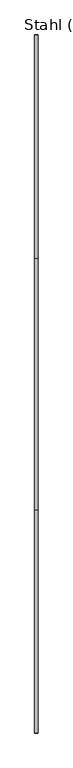
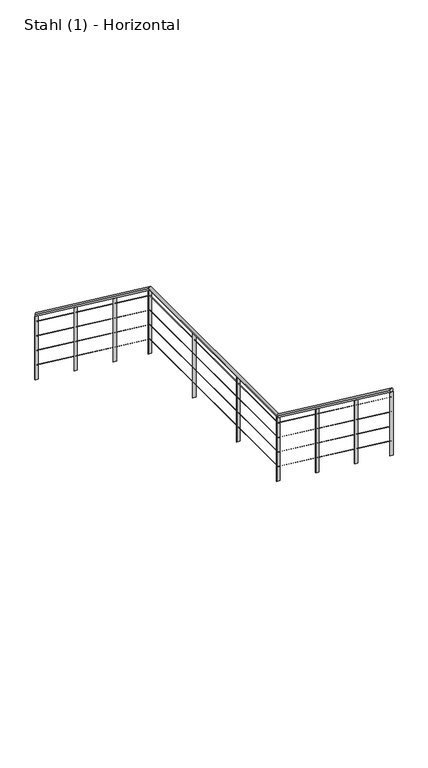
"""IFC4 building model written with IfcOpenShell, lengths in millimetres: railing geometry, Stahl (1) - Horizontal."""

from ifc_helpers import new_model, si_unit, frame, origin, place, context, project, spatial, polyline, ellipse_curve, outline, extrude, source, transform, mapped, element, save
from ifc_brep_helpers import plane_surface, cylinder_surface, advanced_brep


def stahl_1_horizontal_c0315d68(model_context):
    return source(origin(), model_context, "Body", "SolidModel", [
        advanced_brep(
        [(34742.3888375, 36247.5164276, 4785.0587002), (34782.3888375, 36247.5164276, 4785.0587002), (34742.3888375, 33690.8846832, 6690.0), (34782.3888375, 33690.8846832, 6690.0), (34742.3888375, 30805.6465879, 6690.0), (34782.3888375, 30805.6465879, 6690.0), (34742.3888375, 28262.2783324, 8585.0587002), (34782.3888375, 28262.2783324, 8585.0587002)],
        [
            (0, 1, ellipse_curve(frame((34762.3888375, 36247.5164276, 4785.0587002), z_axis=(0.0, 1.0, 0.0), x_axis=(0.0, 0.0, -1.0)), 24.9412998, 20.0)),
            (1, 0, ellipse_curve(frame((34762.3888375, 36247.5164276, 4785.0587002), z_axis=(0.0, 1.0, 0.0), x_axis=(0.0, 0.0, -1.0)), 24.9412998, 20.0)),
            (0, 2),
            (2, 3, ellipse_curve(frame((34762.3888375, 33690.8846832, 6690.0), z_axis=(0.0, 0.9491793370099771, -0.31473574025410656), x_axis=(0.0, -0.3147357402541069, -0.9491793370099768)), 21.0708337, 20.0)),
            (3, 1),
            (3, 2, ellipse_curve(frame((34762.3888375, 33690.8846832, 6690.0), z_axis=(0.0, 0.9491793370099771, -0.31473574025410656), x_axis=(0.0, -0.3147357402541069, -0.9491793370099768)), 21.0708337, 20.0)),
            (2, 4),
            (4, 5, ellipse_curve(frame((34762.3888375, 30805.6465879, 6690.0), z_axis=(0.0, 0.9491793370099771, -0.31473574025410656), x_axis=(0.0, 0.3147357402541059, 0.9491793370099773)), 21.0708337, 20.0)),
            (5, 3),
            (5, 4, ellipse_curve(frame((34762.3888375, 30805.6465879, 6690.0), z_axis=(0.0, 0.9491793370099771, -0.31473574025410656), x_axis=(0.0, 0.3147357402541059, 0.9491793370099773)), 21.0708337, 20.0)),
            (6, 7, ellipse_curve(frame((34762.3888375, 28262.2783324, 8585.0587002), z_axis=(0.0, -1.0, 0.0), x_axis=(0.0, 0.0, -1.0)), 24.9412998, 20.0)),
            (7, 6, ellipse_curve(frame((34762.3888375, 28262.2783324, 8585.0587002), z_axis=(0.0, -1.0, 0.0), x_axis=(0.0, 0.0, -1.0)), 24.9412998, 20.0)),
            (4, 6),
            (7, 5),
        ],
        [
            plane_surface(frame((34762.3888375, 36247.5164276, 4810.0), z_axis=(0.0, 1.0, 0.0), x_axis=(0.0, 0.0, -1.0))),
            cylinder_surface(frame((34762.3888375, 36235.5668012, 4793.9623434), z_axis=(0.0, 0.8018828276133991, -0.5974813225354744), x_axis=(1.0, 0.0, 0.0)), 20.0),
            cylinder_surface(frame((34762.3888375, 33697.5164276, 6690.0), z_axis=(0.0, 1.0, 0.0), x_axis=(1.0, 0.0, 0.0)), 20.0),
            plane_surface(frame((34762.3888375, 28262.2783324, 8610.0), z_axis=(0.0, -1.0, 0.0), x_axis=(0.0, 0.0, -1.0))),
            cylinder_surface(frame((34762.3888375, 30800.3287059, 6693.9623434), z_axis=(0.0, 0.8018828276133991, -0.5974813225354744), x_axis=(1.0, 0.0, 0.0)), 20.0),
        ],
        [
            (0, [[1, 2]]),
            (1, [[-1, 3, 4, 5]]),
            (1, [[-2, -5, 6, -3]]),
            (2, [[-4, 7, 8, 9]]),
            (2, [[-6, -9, 10, -7]]),
            (3, [[11, 12]]),
            (4, [[-8, 13, -12, 14]]),
            (4, [[-10, -14, -11, -13]]),
        ],
    ),
        advanced_brep(
        [(34760.8888375, 36247.5164276, 4688.1294025), (34763.8888375, 36247.5164276, 4688.1294025), (34760.8888375, 33697.0190468, 6588.5), (34763.8888375, 33697.0190468, 6588.5), (34760.8888375, 30811.7809516, 6588.5), (34763.8888375, 30811.7809516, 6588.5), (34760.8888375, 28262.2783324, 8488.1294025), (34763.8888375, 28262.2783324, 8488.1294025)],
        [
            (0, 1, ellipse_curve(frame((34762.3888375, 36247.5164276, 4688.1294025), z_axis=(0.0, 1.0, 0.0), x_axis=(0.0, 0.0, -1.0)), 1.8705975, 1.5)),
            (1, 0, ellipse_curve(frame((34762.3888375, 36247.5164276, 4688.1294025), z_axis=(0.0, 1.0, 0.0), x_axis=(0.0, 0.0, -1.0)), 1.8705975, 1.5)),
            (0, 2),
            (2, 3, ellipse_curve(frame((34762.3888375, 33697.0190468, 6588.5), z_axis=(0.0, 0.9491793370099771, -0.31473574025410656), x_axis=(0.0, -0.3147357402541069, -0.9491793370099768)), 1.5803125, 1.5)),
            (3, 1),
            (3, 2, ellipse_curve(frame((34762.3888375, 33697.0190468, 6588.5), z_axis=(0.0, 0.9491793370099771, -0.31473574025410656), x_axis=(0.0, -0.3147357402541069, -0.9491793370099768)), 1.5803125, 1.5)),
            (2, 4),
            (4, 5, ellipse_curve(frame((34762.3888375, 30811.7809516, 6588.5), z_axis=(0.0, 0.9491793370099771, -0.31473574025410656), x_axis=(0.0, 0.3147357402541059, 0.9491793370099773)), 1.5803125, 1.5)),
            (5, 3),
            (5, 4, ellipse_curve(frame((34762.3888375, 30811.7809516, 6588.5), z_axis=(0.0, 0.9491793370099771, -0.31473574025410656), x_axis=(0.0, 0.3147357402541059, 0.9491793370099773)), 1.5803125, 1.5)),
            (6, 7, ellipse_curve(frame((34762.3888375, 28262.2783324, 8488.1294025), z_axis=(0.0, -1.0, 0.0), x_axis=(0.0, 0.0, -1.0)), 1.8705975, 1.5)),
            (7, 6, ellipse_curve(frame((34762.3888375, 28262.2783324, 8488.1294025), z_axis=(0.0, -1.0, 0.0), x_axis=(0.0, 0.0, -1.0)), 1.8705975, 1.5)),
            (4, 6),
            (7, 5),
        ],
        [
            plane_surface(frame((34762.3888375, 36247.5164276, 4690.0), z_axis=(0.0, 1.0, 0.0), x_axis=(0.0, 0.0, -1.0))),
            cylinder_surface(frame((34762.3888375, 36246.6202057, 4688.7971758), z_axis=(0.0, 0.8018828276133991, -0.5974813225354744), x_axis=(1.0, 0.0, 0.0)), 1.5),
            cylinder_surface(frame((34762.3888375, 33697.5164276, 6588.5), z_axis=(0.0, 1.0, 0.0), x_axis=(1.0, 0.0, 0.0)), 1.5),
            plane_surface(frame((34762.3888375, 28262.2783324, 8490.0), z_axis=(0.0, -1.0, 0.0), x_axis=(0.0, 0.0, -1.0))),
            cylinder_surface(frame((34762.3888375, 30811.3821104, 6588.7971758), z_axis=(0.0, 0.8018828276133991, -0.5974813225354744), x_axis=(1.0, 0.0, 0.0)), 1.5),
        ],
        [
            (0, [[1, 2]]),
            (1, [[-1, 3, 4, 5]]),
            (1, [[-2, -5, 6, -3]]),
            (2, [[-4, 7, 8, 9]]),
            (2, [[-6, -9, 10, -7]]),
            (3, [[11, 12]]),
            (4, [[-8, 13, -12, 14]]),
            (4, [[-10, -14, -11, -13]]),
        ],
    ),
        advanced_brep(
        [(34760.8888375, 36247.5164276, 4488.1294025), (34763.8888375, 36247.5164276, 4488.1294025), (34760.8888375, 33697.0190468, 6388.5), (34763.8888375, 33697.0190468, 6388.5), (34760.8888375, 30811.7809516, 6388.5), (34763.8888375, 30811.7809516, 6388.5), (34760.8888375, 28262.2783324, 8288.1294025), (34763.8888375, 28262.2783324, 8288.1294025)],
        [
            (0, 1, ellipse_curve(frame((34762.3888375, 36247.5164276, 4488.1294025), z_axis=(0.0, 1.0, 0.0), x_axis=(0.0, 0.0, -1.0)), 1.8705975, 1.5)),
            (1, 0, ellipse_curve(frame((34762.3888375, 36247.5164276, 4488.1294025), z_axis=(0.0, 1.0, 0.0), x_axis=(0.0, 0.0, -1.0)), 1.8705975, 1.5)),
            (0, 2),
            (2, 3, ellipse_curve(frame((34762.3888375, 33697.0190468, 6388.5), z_axis=(0.0, 0.9491793370099771, -0.31473574025410656), x_axis=(0.0, -0.3147357402541069, -0.9491793370099768)), 1.5803125, 1.5)),
            (3, 1),
            (3, 2, ellipse_curve(frame((34762.3888375, 33697.0190468, 6388.5), z_axis=(0.0, 0.9491793370099771, -0.31473574025410656), x_axis=(0.0, -0.3147357402541069, -0.9491793370099768)), 1.5803125, 1.5)),
            (2, 4),
            (4, 5, ellipse_curve(frame((34762.3888375, 30811.7809516, 6388.5), z_axis=(0.0, 0.9491793370099771, -0.31473574025410656), x_axis=(0.0, 0.3147357402541059, 0.9491793370099773)), 1.5803125, 1.5)),
            (5, 3),
            (5, 4, ellipse_curve(frame((34762.3888375, 30811.7809516, 6388.5), z_axis=(0.0, 0.9491793370099771, -0.31473574025410656), x_axis=(0.0, 0.3147357402541059, 0.9491793370099773)), 1.5803125, 1.5)),
            (6, 7, ellipse_curve(frame((34762.3888375, 28262.2783324, 8288.1294025), z_axis=(0.0, -1.0, 0.0), x_axis=(0.0, 0.0, -1.0)), 1.8705975, 1.5)),
            (7, 6, ellipse_curve(frame((34762.3888375, 28262.2783324, 8288.1294025), z_axis=(0.0, -1.0, 0.0), x_axis=(0.0, 0.0, -1.0)), 1.8705975, 1.5)),
            (4, 6),
            (7, 5),
        ],
        [
            plane_surface(frame((34762.3888375, 36247.5164276, 4490.0), z_axis=(0.0, 1.0, 0.0), x_axis=(0.0, 0.0, -1.0))),
            cylinder_surface(frame((34762.3888375, 36246.6202057, 4488.7971758), z_axis=(0.0, 0.8018828276133991, -0.5974813225354744), x_axis=(1.0, 0.0, 0.0)), 1.5),
            cylinder_surface(frame((34762.3888375, 33697.5164276, 6388.5), z_axis=(0.0, 1.0, 0.0), x_axis=(1.0, 0.0, 0.0)), 1.5),
            plane_surface(frame((34762.3888375, 28262.2783324, 8290.0), z_axis=(0.0, -1.0, 0.0), x_axis=(0.0, 0.0, -1.0))),
            cylinder_surface(frame((34762.3888375, 30811.3821104, 6388.7971758), z_axis=(0.0, 0.8018828276133991, -0.5974813225354744), x_axis=(1.0, 0.0, 0.0)), 1.5),
        ],
        [
            (0, [[1, 2]]),
            (1, [[-1, 3, 4, 5]]),
            (1, [[-2, -5, 6, -3]]),
            (2, [[-4, 7, 8, 9]]),
            (2, [[-6, -9, 10, -7]]),
            (3, [[11, 12]]),
            (4, [[-8, 13, -12, 14]]),
            (4, [[-10, -14, -11, -13]]),
        ],
    ),
        advanced_brep(
        [(34760.8888375, 36247.5164276, 4288.1294025), (34763.8888375, 36247.5164276, 4288.1294025), (34760.8888375, 33697.0190468, 6188.5), (34763.8888375, 33697.0190468, 6188.5), (34760.8888375, 30811.7809516, 6188.5), (34763.8888375, 30811.7809516, 6188.5), (34760.8888375, 28262.2783324, 8088.1294025), (34763.8888375, 28262.2783324, 8088.1294025)],
        [
            (0, 1, ellipse_curve(frame((34762.3888375, 36247.5164276, 4288.1294025), z_axis=(0.0, 1.0, 0.0), x_axis=(0.0, 0.0, -1.0)), 1.8705975, 1.5)),
            (1, 0, ellipse_curve(frame((34762.3888375, 36247.5164276, 4288.1294025), z_axis=(0.0, 1.0, 0.0), x_axis=(0.0, 0.0, -1.0)), 1.8705975, 1.5)),
            (0, 2),
            (2, 3, ellipse_curve(frame((34762.3888375, 33697.0190468, 6188.5), z_axis=(0.0, 0.9491793370099771, -0.31473574025410656), x_axis=(0.0, -0.3147357402541069, -0.9491793370099768)), 1.5803125, 1.5)),
            (3, 1),
            (3, 2, ellipse_curve(frame((34762.3888375, 33697.0190468, 6188.5), z_axis=(0.0, 0.9491793370099771, -0.31473574025410656), x_axis=(0.0, -0.3147357402541069, -0.9491793370099768)), 1.5803125, 1.5)),
            (2, 4),
            (4, 5, ellipse_curve(frame((34762.3888375, 30811.7809516, 6188.5), z_axis=(0.0, 0.9491793370099771, -0.31473574025410656), x_axis=(0.0, 0.3147357402541059, 0.9491793370099773)), 1.5803125, 1.5)),
            (5, 3),
            (5, 4, ellipse_curve(frame((34762.3888375, 30811.7809516, 6188.5), z_axis=(0.0, 0.9491793370099771, -0.31473574025410656), x_axis=(0.0, 0.3147357402541059, 0.9491793370099773)), 1.5803125, 1.5)),
            (6, 7, ellipse_curve(frame((34762.3888375, 28262.2783324, 8088.1294025), z_axis=(0.0, -1.0, 0.0), x_axis=(0.0, 0.0, -1.0)), 1.8705975, 1.5)),
            (7, 6, ellipse_curve(frame((34762.3888375, 28262.2783324, 8088.1294025), z_axis=(0.0, -1.0, 0.0), x_axis=(0.0, 0.0, -1.0)), 1.8705975, 1.5)),
            (4, 6),
            (7, 5),
        ],
        [
            plane_surface(frame((34762.3888375, 36247.5164276, 4290.0), z_axis=(0.0, 1.0, 0.0), x_axis=(0.0, 0.0, -1.0))),
            cylinder_surface(frame((34762.3888375, 36246.6202057, 4288.7971758), z_axis=(0.0, 0.8018828276133991, -0.5974813225354744), x_axis=(1.0, 0.0, 0.0)), 1.5),
            cylinder_surface(frame((34762.3888375, 33697.5164276, 6188.5), z_axis=(0.0, 1.0, 0.0), x_axis=(1.0, 0.0, 0.0)), 1.5),
            plane_surface(frame((34762.3888375, 28262.2783324, 8090.0), z_axis=(0.0, -1.0, 0.0), x_axis=(0.0, 0.0, -1.0))),
            cylinder_surface(frame((34762.3888375, 30811.3821104, 6188.7971758), z_axis=(0.0, 0.8018828276133991, -0.5974813225354744), x_axis=(1.0, 0.0, 0.0)), 1.5),
        ],
        [
            (0, [[1, 2]]),
            (1, [[-1, 3, 4, 5]]),
            (1, [[-2, -5, 6, -3]]),
            (2, [[-4, 7, 8, 9]]),
            (2, [[-6, -9, 10, -7]]),
            (3, [[11, 12]]),
            (4, [[-8, 13, -12, 14]]),
            (4, [[-10, -14, -11, -13]]),
        ],
    ),
        advanced_brep(
        [(34760.8888375, 36247.5164276, 4088.1294025), (34763.8888375, 36247.5164276, 4088.1294025), (34760.8888375, 33697.0190468, 5988.5), (34763.8888375, 33697.0190468, 5988.5), (34760.8888375, 30811.7809516, 5988.5), (34763.8888375, 30811.7809516, 5988.5), (34760.8888375, 28262.2783324, 7888.1294025), (34763.8888375, 28262.2783324, 7888.1294025)],
        [
            (0, 1, ellipse_curve(frame((34762.3888375, 36247.5164276, 4088.1294025), z_axis=(0.0, 1.0, 0.0), x_axis=(0.0, 0.0, -1.0)), 1.8705975, 1.5)),
            (1, 0, ellipse_curve(frame((34762.3888375, 36247.5164276, 4088.1294025), z_axis=(0.0, 1.0, 0.0), x_axis=(0.0, 0.0, -1.0)), 1.8705975, 1.5)),
            (0, 2),
            (2, 3, ellipse_curve(frame((34762.3888375, 33697.0190468, 5988.5), z_axis=(0.0, 0.9491793370099771, -0.31473574025410656), x_axis=(0.0, -0.3147357402541069, -0.9491793370099768)), 1.5803125, 1.5)),
            (3, 1),
            (3, 2, ellipse_curve(frame((34762.3888375, 33697.0190468, 5988.5), z_axis=(0.0, 0.9491793370099771, -0.31473574025410656), x_axis=(0.0, -0.3147357402541069, -0.9491793370099768)), 1.5803125, 1.5)),
            (2, 4),
            (4, 5, ellipse_curve(frame((34762.3888375, 30811.7809516, 5988.5), z_axis=(0.0, 0.9491793370099771, -0.31473574025410656), x_axis=(0.0, 0.3147357402541059, 0.9491793370099773)), 1.5803125, 1.5)),
            (5, 3),
            (5, 4, ellipse_curve(frame((34762.3888375, 30811.7809516, 5988.5), z_axis=(0.0, 0.9491793370099771, -0.31473574025410656), x_axis=(0.0, 0.3147357402541059, 0.9491793370099773)), 1.5803125, 1.5)),
            (6, 7, ellipse_curve(frame((34762.3888375, 28262.2783324, 7888.1294025), z_axis=(0.0, -1.0, 0.0), x_axis=(0.0, 0.0, -1.0)), 1.8705975, 1.5)),
            (7, 6, ellipse_curve(frame((34762.3888375, 28262.2783324, 7888.1294025), z_axis=(0.0, -1.0, 0.0), x_axis=(0.0, 0.0, -1.0)), 1.8705975, 1.5)),
            (4, 6),
            (7, 5),
        ],
        [
            plane_surface(frame((34762.3888375, 36247.5164276, 4090.0), z_axis=(0.0, 1.0, 0.0), x_axis=(0.0, 0.0, -1.0))),
            cylinder_surface(frame((34762.3888375, 36246.6202057, 4088.7971758), z_axis=(0.0, 0.8018828276133991, -0.5974813225354744), x_axis=(1.0, 0.0, 0.0)), 1.5),
            cylinder_surface(frame((34762.3888375, 33697.5164276, 5988.5), z_axis=(0.0, 1.0, 0.0), x_axis=(1.0, 0.0, 0.0)), 1.5),
            plane_surface(frame((34762.3888375, 28262.2783324, 7890.0), z_axis=(0.0, -1.0, 0.0), x_axis=(0.0, 0.0, -1.0))),
            cylinder_surface(frame((34762.3888375, 30811.3821104, 5988.7971758), z_axis=(0.0, 0.8018828276133991, -0.5974813225354744), x_axis=(1.0, 0.0, 0.0)), 1.5),
        ],
        [
            (0, [[1, 2]]),
            (1, [[-1, 3, 4, 5]]),
            (1, [[-2, -5, 6, -3]]),
            (2, [[-4, 7, 8, 9]]),
            (2, [[-6, -9, 10, -7]]),
            (3, [[11, 12]]),
            (4, [[-8, 13, -12, 14]]),
            (4, [[-10, -14, -11, -13]]),
        ],
    ),
        extrude(outline(polyline([(29057.6576427, 7100.3448276), (29049.6576427, 7100.3448276), (29049.6576427, 7973.4426202), (29057.6576427, 7967.4818358), (29057.6576427, 7100.3448276)])), frame((34742.3888375, 0.0, 0.0), z_axis=(1.0, 0.0, 0.0), x_axis=(0.0, 1.0, 0.0)), (0.0, 0.0, 1.0), 40.0),
        extrude(outline(polyline([(29936.9679876, 6445.1724138), (29928.9679876, 6445.1724138), (29928.9679876, 7318.2702064), (29936.9679876, 7312.3094221), (29936.9679876, 6445.1724138)])), frame((34742.3888375, 0.0, 0.0), z_axis=(1.0, 0.0, 0.0), x_axis=(0.0, 1.0, 0.0)), (0.0, 0.0, 1.0), 40.0),
        extrude(outline(polyline([(34782.3888375, 31711.6970516), (34782.3888375, 31703.6970516), (34742.3888375, 31703.6970516), (34742.3888375, 31711.6970516), (34782.3888375, 31711.6970516)])), frame((0.0, 0.0, 5790.0), z_axis=(0.0, 0.0, 1.0), x_axis=(1.0, 0.0, 0.0)), (0.0, 0.0, 1.0), 880.0),
        extrude(outline(polyline([(34782.3888375, 32706.6067396), (34782.3888375, 32698.6067396), (34742.3888375, 32698.6067396), (34742.3888375, 32706.6067396), (34782.3888375, 32706.6067396)])), frame((0.0, 0.0, 5790.0), z_axis=(0.0, 0.0, 1.0), x_axis=(1.0, 0.0, 0.0)), (0.0, 0.0, 1.0), 880.0),
        extrude(outline(polyline([(34492.895738, 5200.3448276), (34484.895738, 5200.3448276), (34484.895738, 6073.4426202), (34492.895738, 6067.4818358), (34492.895738, 5200.3448276)])), frame((34742.3888375, 0.0, 0.0), z_axis=(1.0, 0.0, 0.0), x_axis=(0.0, 1.0, 0.0)), (0.0, 0.0, 1.0), 40.0),
        extrude(outline(polyline([(35372.2060828, 4545.1724138), (35364.2060828, 4545.1724138), (35364.2060828, 5418.2702064), (35372.2060828, 5412.3094221), (35372.2060828, 4545.1724138)])), frame((34742.3888375, 0.0, 0.0), z_axis=(1.0, 0.0, 0.0), x_axis=(0.0, 1.0, 0.0)), (0.0, 0.0, 1.0), 40.0),
        extrude(outline(polyline([(34782.3888375, 30816.2783324), (34782.3888375, 30808.2783324), (34742.3888375, 30808.2783324), (34742.3888375, 30816.2783324), (34782.3888375, 30816.2783324)])), frame((0.0, 0.0, 5790.0), z_axis=(0.0, 0.0, 1.0), x_axis=(1.0, 0.0, 0.0)), (0.0, 0.0, 1.0), 880.0),
        extrude(outline(polyline([(33701.5164276, 5790.0), (33693.5164276, 5790.0), (33693.5164276, 6663.0977926), (33701.5164276, 6657.1370083), (33701.5164276, 5790.0)])), frame((34742.3888375, 0.0, 0.0), z_axis=(1.0, 0.0, 0.0), x_axis=(0.0, 1.0, 0.0)), (0.0, 0.0, 1.0), 40.0),
        extrude(outline(polyline([(28266.2783324, 7690.0), (28258.2783324, 7690.0), (28258.2783324, 8563.0977926), (28266.2783324, 8557.1370083), (28266.2783324, 7690.0)])), frame((34742.3888375, 0.0, 0.0), z_axis=(1.0, 0.0, 0.0), x_axis=(0.0, 1.0, 0.0)), (0.0, 0.0, 1.0), 40.0),
        extrude(outline(polyline([(36251.5164276, 3890.0), (36243.5164276, 3890.0), (36243.5164276, 4763.0977926), (36251.5164276, 4757.1370083), (36251.5164276, 3890.0)])), frame((34742.3888375, 0.0, 0.0), z_axis=(1.0, 0.0, 0.0), x_axis=(0.0, 1.0, 0.0)), (0.0, 0.0, 1.0), 40.0),
    ])


if __name__ == "__main__":
    model = new_model("IFC4")
    model_context = context("Model", 3, world=origin())
    ifc_project = project(units=[si_unit("LENGTHUNIT", "METRE", prefix="MILLI")], contexts=[model_context])
    site = spatial("IfcSite", under=ifc_project)
    building = spatial("IfcBuilding", under=site)
    placement = place(None, origin())
    stahl_1_horizontal_shape = stahl_1_horizontal_c0315d68(model_context)
    element("IfcRailing", 1, ObjectType="Stahl (1) - Horizontal", at=placement, inside=building, context=model_context, shape_type="MappedRepresentation", body=[
        mapped(stahl_1_horizontal_shape, transform((0.0, 0.0, 0.0), x_axis=(1.0, 0.0, 0.0), y_axis=(0.0, 1.0, 0.0), z_axis=(0.0, 0.0, 1.0))),
    ])
    save(model, "model.ifc")
